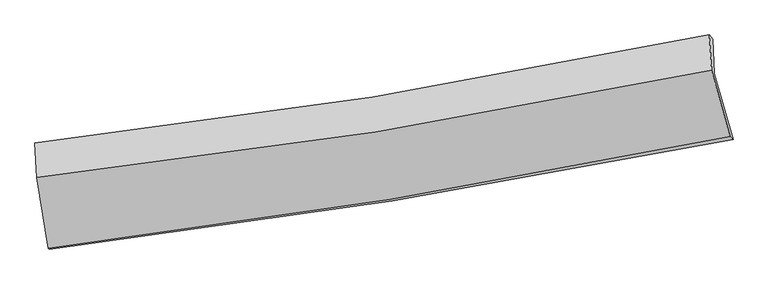
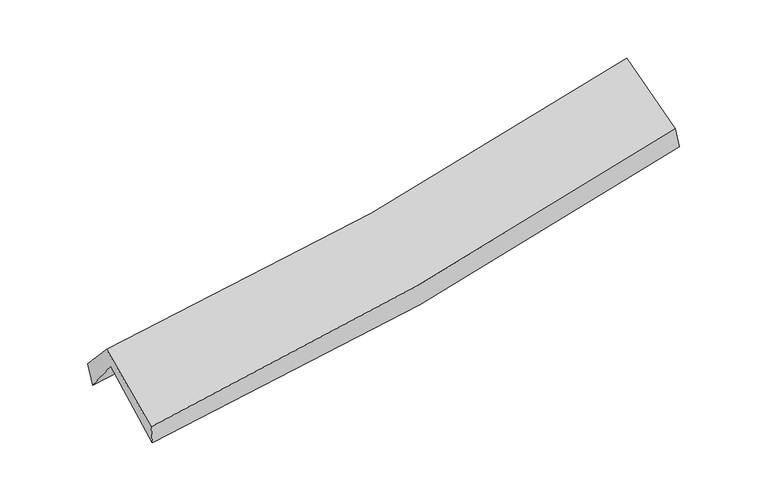
"""IFC4 building model written with IfcOpenShell, lengths in millimetres: proxy geometry."""

from ifc_helpers import new_model, si_unit, frame, origin, place, context, project, spatial, source, transform, mapped, element, save
from ifc_brep_helpers import plane_surface, spline_curve, spline_surface, advanced_brep


def generic_models_4423a246(model_context):
    return source(origin(), model_context, "Body", "AdvancedBrep", [
        advanced_brep(
        [(-2469.8344045, -2469.8964943, 1493.0285542), (-2550.7978214, -1973.8131165, 1932.1980057), (2485.0414162, -1161.9449979, 2379.812504), (2623.6127995, -1650.4912137, 1960.3369477), (-2563.1572094, -1726.230019, 1610.4090016), (2472.0687149, -904.8872051, 2063.000859), (-2577.9240275, -1677.5629867, 1785.1130112), (2446.7319924, -871.2119273, 2233.4732794), (-2562.5657827, -1933.905788, 2068.8806996), (2463.5733613, -1133.8285344, 2524.9580079), (-2478.2743744, -2463.5229101, 1641.3944767), (2602.1093894, -1631.3700841, 2120.956881)],
        [
            (0, 1),
            (1, 2, spline_curve(3, [(-2550.7978214, -1973.8131165, 1932.1980057), (-1704.507009264, -1875.990189193, 1959.642743462), (-863.094796262, -1759.711112208, 2010.463226203), (815.583954253, -1489.336846689, 2159.353395253), (1652.784820525, -1334.993217291, 2257.737745209), (2485.0414162, -1161.9449979, 2379.812504)], [4, 2, 4], [0.0, 8.425739851753214, 16.908000129580703])),
            (2, 3),
            (3, 0, spline_curve(3, [(2623.6127995, -1650.4912137, 1960.3369477), (1781.470894006, -1819.087050846, 1840.817637201), (934.511081993, -1971.844234102, 1742.054591961), (-763.368645962, -2244.768953084, 1586.560819163), (-1614.224568493, -2365.146863719, 1529.554400183), (-2469.8344045, -2469.8964943, 1493.0285542)], [4, 2, 4], [0.0, 8.48226027782749, 16.908000129580703])),
            (1, 4),
            (4, 5, spline_curve(3, [(-2563.1572094, -1726.230019, 1610.4090016), (-1718.321730056, -1619.923674498, 1644.322756493), (-877.69038436, -1498.604421864, 1698.80057138), (800.774849603, -1225.025574488, 1849.387708537), (1638.552145345, -1072.563889235, 1945.773845883), (2472.0687149, -904.8872051, 2063.000859)], [4, 2, 4], [0.0, 8.37808262840241, 16.812365995039606])),
            (5, 2),
            (4, 6),
            (6, 7, spline_curve(3, [(-2577.9240275, -1677.5629867, 1785.1130112), (-1734.207647411, -1583.353891269, 1823.696538237), (-895.012667975, -1469.344457182, 1880.166765701), (779.933534925, -1200.827305515, 2029.379413143), (1615.623895859, -1046.053053503, 2122.36260827), (2446.7319924, -871.2119273, 2233.4732794)], [4, 2, 4], [0.0, 8.367847508771137, 16.79182709791049])),
            (7, 5),
            (6, 8),
            (8, 9, spline_curve(3, [(-2562.5657827, -1933.905788, 2068.8806996), (-1718.564550994, -1840.832330073, 2108.680097727), (-879.103900921, -1727.911939871, 2166.399087734), (796.336934942, -1461.486684461, 2318.183638924), (1632.255999823, -1307.714656335, 2412.490418662), (2463.5733613, -1133.8285344, 2524.9580079)], [4, 2, 4], [0.0, 8.358342484571658, 16.77275328917392])),
            (9, 7),
            (8, 10),
            (10, 11, spline_curve(3, [(-2478.2743744, -2463.5229101, 1641.3944767), (-1625.488853055, -2357.557271924, 1691.145744535), (-777.131162359, -2235.514120079, 1755.801331629), (916.389695867, -1958.346266265, 1915.45483734), (1761.493259673, -1803.005142824, 2010.653385214), (2602.1093894, -1631.3700841, 2120.956881)], [4, 2, 4], [0.0, 8.407894822956608, 16.87219036634162])),
            (11, 9),
            (10, 0),
            (3, 11),
        ],
        [
            spline_surface(3, 3, [[(-2469.8344045, -2469.8964943, 1493.0285542), (-1614.224568502, -2365.146863647, 1529.554400046), (-763.368645844, -2244.768953197, 1586.560819148), (934.511081874, -1971.844233988, 1742.054591976), (1781.470893887, -1819.087050926, 1840.817637323), (2623.6127995, -1650.4912137, 1960.3369477)], [(-2496.82221012, -2304.535368365, 1639.41837138), (-1644.318715405, -2202.094638796, 1672.917181228), (-796.610696023, -2083.083006219, 1727.861621548), (894.868706014, -1811.008438235, 1881.154193025), (1738.575536149, -1657.72243975, 1979.791006565), (2577.422338422, -1487.642475114, 2100.162133113)], [(-2523.81001578, -2139.174242435, 1785.80818852), (-1674.412862349, -2039.04241395, 1816.27996237), (-829.852746162, -1921.397059194, 1869.16242394), (855.226330193, -1650.172642435, 2020.253794066), (1695.680178347, -1496.357828531, 2118.764375866), (2531.231877278, -1324.793736486, 2239.987318587)], [(-2550.7978214, -1973.8131165, 1932.1980057), (-1704.507009252, -1875.990189099, 1959.642743551), (-863.094796341, -1759.711112215, 2010.46322634), (815.583954333, -1489.336846681, 2159.353395115), (1652.784820609, -1334.993217355, 2257.737745108), (2485.0414162, -1161.9449979, 2379.812504)]], [4, 4], [4, 2, 4], [0.0, 2.133530453254883], [0.0, 8.425739851753214, 16.908000129580703]),
            spline_surface(3, 3, [[(-2550.7978214, -1973.8131165, 1932.1980057), (-1704.507009252, -1875.990189099, 1959.642743551), (-863.094796341, -1759.711112215, 2010.46322634), (815.583954333, -1489.336846681, 2159.353395115), (1652.784820609, -1334.993217355, 2257.737745108), (2485.0414162, -1161.9449979, 2379.812504)], [(-2554.917617405, -1891.285417322, 1824.935004325), (-1709.111916176, -1790.634684234, 1854.536081156), (-867.959992316, -1672.675548729, 1906.575674727), (810.647586077, -1401.233089302, 2056.031499554), (1648.040595481, -1247.516774678, 2153.749778666), (2480.717182424, -1076.259066965, 2274.208622327)], [(-2559.037413395, -1808.757718178, 1717.672002975), (-1713.716823086, -1705.279179403, 1749.429418786), (-872.82518832, -1585.63998527, 1802.688123105), (805.711217793, -1313.129331949, 1952.709603986), (1643.29637038, -1160.040332005, 2049.761812244), (2476.392948676, -990.573136035, 2168.604740673)], [(-2563.1572094, -1726.230019, 1610.4090016), (-1718.32173001, -1619.923674539, 1644.322756391), (-877.690384295, -1498.604421783, 1698.800571492), (800.774849538, -1225.025574569, 1849.387708425), (1638.552145252, -1072.563889328, 1945.773845803), (2472.0687149, -904.8872051, 2063.000859)]], [4, 4], [4, 2, 4], [0.0, 1.3360703852142812], [0.0, 8.37808262840241, 16.812365995039606]),
            spline_surface(3, 3, [[(-2563.1572094, -1726.230019, 1610.4090016), (-1718.32173001, -1619.923674539, 1644.322756391), (-877.690384295, -1498.604421783, 1698.800571492), (800.774849538, -1225.025574569, 1849.387708425), (1638.552145252, -1072.563889328, 1945.773845803), (2472.0687149, -904.8872051, 2063.000859)], [(-2568.079482108, -1710.007674918, 1668.643671461), (-1723.617035802, -1607.733746838, 1704.114016975), (-883.464478894, -1488.85110022, 1759.255969543), (793.827744715, -1216.959484906, 1909.384943341), (1630.909395419, -1063.726944016, 2004.636766685), (2463.623140743, -893.662112482, 2119.824999163)], [(-2573.001754792, -1693.785330782, 1726.878341339), (-1728.912341569, -1595.543819084, 1763.905277576), (-889.238573505, -1479.097778669, 1819.711367607), (786.880639878, -1208.893395254, 1969.38217827), (1623.266645557, -1054.889998757, 2063.49968748), (2455.177566557, -882.437019918, 2176.649139237)], [(-2577.9240275, -1677.5629867, 1785.1130112), (-1734.207647361, -1583.353891384, 1823.69653816), (-895.012668104, -1469.344457106, 1880.166765658), (779.933535055, -1200.827305592, 2029.379413186), (1615.623895725, -1046.053053445, 2122.362608363), (2446.7319924, -871.2119273, 2233.4732794)]], [4, 4], [4, 2, 4], [0.0, 0.6024724891026046], [0.0, 8.367847508771137, 16.79182709791049]),
            spline_surface(3, 3, [[(-2577.9240275, -1677.5629867, 1785.1130112), (-1734.207647361, -1583.353891384, 1823.69653816), (-895.012668104, -1469.344457106, 1880.166765658), (779.933535055, -1200.827305592, 2029.379413186), (1615.623895725, -1046.053053445, 2122.362608363), (2446.7319924, -871.2119273, 2233.4732794)], [(-2572.804612563, -1763.010587106, 1879.702240677), (-1728.993281898, -1669.180037558, 1918.691058057), (-889.709745759, -1555.533618079, 1975.577539642), (785.401335033, -1287.713765175, 2125.647488481), (1621.167930388, -1133.273587774, 2219.071878465), (2452.345782038, -958.750796342, 2330.63485556)], [(-2567.685197637, -1848.458187594, 1974.291470123), (-1723.778916445, -1755.006183813, 2013.685577924), (-884.406823363, -1641.722779035, 2070.988313616), (790.869135061, -1374.60022474, 2221.915563765), (1626.711965037, -1220.494122076, 2315.781148588), (2457.959571662, -1046.289665358, 2427.79643174)], [(-2562.5657827, -1933.905788, 2068.8806996), (-1718.564550982, -1840.832329986, 2108.680097821), (-879.103901018, -1727.911940008, 2166.399087599), (796.336935039, -1461.486684323, 2318.18363906), (1632.2559997, -1307.714656405, 2412.490418691), (2463.5733613, -1133.8285344, 2524.9580079)]], [4, 4], [4, 2, 4], [0.0, 1.2720842219268107], [0.0, 8.358342484571658, 16.77275328917392]),
            spline_surface(3, 3, [[(-2562.5657827, -1933.905788, 2068.8806996), (-1718.564550982, -1840.832329986, 2108.680097821), (-879.103901018, -1727.911940008, 2166.399087599), (796.336935039, -1461.486684323, 2318.18363906), (1632.2559997, -1307.714656405, 2412.490418691), (2463.5733613, -1133.8285344, 2524.9580079)], [(-2534.468646601, -2110.444828708, 1926.385291956), (-1687.539318355, -2013.073977325, 1969.501980063), (-845.112988139, -1897.112666702, 2029.533168935), (836.354521969, -1627.106544979, 2183.940705167), (1675.335086348, -1472.811485212, 2278.544740816), (2509.752037311, -1299.675717628, 2390.290965592)], [(-2506.371510499, -2286.983869392, 1783.889884344), (-1656.514085727, -2185.315624641, 1830.323862337), (-811.122075231, -2066.313393378, 1892.667250262), (876.372108929, -1792.726405616, 2049.697771265), (1718.414173063, -1637.908314037, 2144.599062967), (2555.930713389, -1465.522900872, 2255.623923308)], [(-2478.2743744, -2463.5229101, 1641.3944767), (-1625.4888531, -2357.55727198, 1691.145744579), (-777.131162352, -2235.514120072, 1755.801331597), (916.389695859, -1958.346266272, 1915.454837372), (1761.493259711, -1803.005142844, 2010.653385092), (2602.1093894, -1631.3700841, 2120.956881)]], [4, 4], [4, 2, 4], [0.0, 2.151117602430209], [0.0, 8.407894822956608, 16.87219036634162]),
            spline_surface(3, 3, [[(-2478.2743744, -2463.5229101, 1641.3944767), (-1625.4888531, -2357.55727198, 1691.145744579), (-777.131162352, -2235.514120072, 1755.801331597), (916.389695859, -1958.346266272, 1915.454837372), (1761.493259711, -1803.005142844, 2010.653385092), (2602.1093894, -1631.3700841, 2120.956881)], [(-2475.461051103, -2465.647438181, 1591.939169201), (-1621.73409157, -2360.087135884, 1637.28196307), (-772.543656823, -2238.599064432, 1699.38782744), (922.43015789, -1962.845588829, 1857.654755566), (1768.152471098, -1808.365778873, 1954.041469182), (2609.277192762, -1637.743793969, 2067.416903246)], [(-2472.647727797, -2467.771966219, 1542.483861699), (-1617.979330032, -2362.616999743, 1583.418181556), (-767.956151372, -2241.684008837, 1642.974323305), (928.470619843, -1967.344911431, 1799.854673782), (1774.8116825, -1813.726414897, 1897.429553234), (2616.444996138, -1644.117503831, 2013.876925454)], [(-2469.8344045, -2469.8964943, 1493.0285542), (-1614.224568502, -2365.146863647, 1529.554400046), (-763.368645844, -2244.768953197, 1586.560819148), (934.511081874, -1971.844233988, 1742.054591976), (1781.470893887, -1819.087050926, 1840.817637323), (2623.6127995, -1650.4912137, 1960.3369477)]], [4, 4], [4, 2, 4], [0.0, 0.565787745517152], [0.0, 8.465124290622846, 16.98703320076823]),
            plane_surface(frame((2515.5229456, -1225.6223271, 2213.7564132), z_axis=(0.976952358709468, 0.183565555628655, 0.10893932071915138), x_axis=(0.21127609125106042, -0.7587819236964081, -0.616126939467227))),
            plane_surface(frame((-2533.7589367, -2040.8218858, 1755.1706248), z_axis=(-0.9918756225169355, -0.11635357320663879, -0.0514256303674447), x_axis=(-0.056742191115904554, 0.04284981343187863, 0.997468905398168))),
        ],
        [
            (0, [[1, 2, 3, 4]]),
            (1, [[5, 6, 7, -2]]),
            (2, [[8, 9, 10, -6]]),
            (3, [[11, 12, 13, -9]]),
            (4, [[14, 15, 16, -12]]),
            (5, [[17, -4, 18, -15]]),
            (6, [[-16, -18, -3, -7, -10, -13]]),
            (7, [[-17, -14, -11, -8, -5, -1]]),
        ],
    ),
    ])


if __name__ == "__main__":
    model = new_model("IFC4")
    model_context = context("Model", 3, world=origin())
    ifc_project = project(units=[si_unit("LENGTHUNIT", "METRE", prefix="MILLI")], contexts=[model_context])
    site = spatial("IfcSite", under=ifc_project)
    building = spatial("IfcBuilding", under=site)
    placement = place(None, origin())
    generic_models_shape = generic_models_4423a246(model_context)
    element("IfcBuildingElementProxy", 1, Name="Generic Models", at=placement, inside=building, context=model_context, shape_type="MappedRepresentation", body=[
        mapped(generic_models_shape, transform((0.0, 0.0, 0.0), x_axis=(1.0, 0.0, 0.0), y_axis=(0.0, 1.0, 0.0), z_axis=(0.0, 0.0, 1.0))),
    ])
    save(model, "model.ifc")
